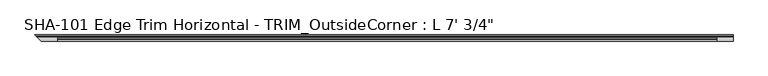
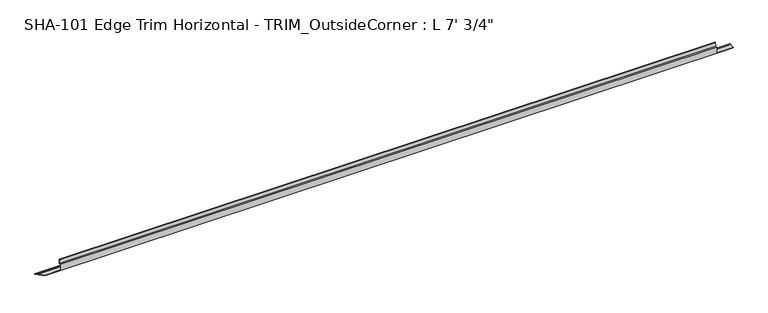
"""IFC4 building model written with IfcOpenShell, lengths in millimetres: proxy geometry."""

from ifc_helpers import new_model, si_unit, frame, origin, place, context, project, spatial, polyline, circle_curve, ellipse_curve, source, transform, mapped, element, save
from ifc_brep_helpers import plane_surface, cylinder_surface, revolved_surface, advanced_brep


def proxy_f23d6bd8(model_context):
    return source(origin(), model_context, "Body", "AdvancedBrep", [
        advanced_brep(
        [(2152.65, -7.0200081, 1.5748), (2152.65, -19.7327081, 1.5748), (2152.65, -19.7327081, 0.0), (2152.65, -0.79375, 0.0), (2152.65, -0.79375, 1.5748), (2152.65, -3.8704081, 1.5748), (2101.85, -19.7327081, 1.5748), (2101.85, -19.7327081, 19.0246), (70.5327081, -19.7327081, 19.0246), (70.5327081, -19.7327081, 1.5748), (19.7327081, -19.7327081, 1.5748), (19.7327081, -19.7327081, 0.0), (2101.85, -14.3400511, 19.0246), (70.5327081, -14.3400511, 19.0246), (2101.85, -12.5290774, 29.6006869), (70.5327081, -12.5290774, 29.6006869), (2101.85, -11.4003846, 30.0600848), (2101.85, -10.2077081, 29.5346031), (70.5327081, -10.2077081, 29.5346031), (70.5327081, -11.4003846, 30.0600848), (2101.85, -10.2077081, 17.4498), (70.5327081, -10.2077081, 17.4498), (2101.85, -16.8879081, 17.4498), (70.5327081, -16.8879081, 17.4498), (2101.85, -18.1579081, 16.1798), (70.5327081, -18.1579081, 16.1798), (2101.85, -18.1579081, 1.5748), (70.5327081, -18.1579081, 1.5748), (7.0200081, -7.0200081, 1.5748), (3.8704081, -3.8704081, 1.5748), (0.79375, -0.79375, 1.5748), (0.79375, -0.79375, 0.0)],
        [
            (0, 1),
            (1, 2),
            (2, 3),
            (3, 4),
            (4, 5),
            (5, 0, circle_curve(frame((2152.65, -5.4452081, 1.5748), z_axis=(1.0, 0.0, 0.0), x_axis=(0.0, -1.0, 0.0)), 1.5748)),
            (1, 6),
            (6, 7),
            (7, 8),
            (8, 9),
            (9, 10),
            (10, 11),
            (11, 2),
            (7, 12),
            (12, 13),
            (13, 8),
            (12, 14),
            (14, 15),
            (15, 13),
            (14, 16, circle_curve(frame((2101.85, -11.4003846, 28.4438454), z_axis=(-1.0, 0.0, 0.0), x_axis=(0.0, -1.0, 0.0)), 1.6162393)),
            (16, 17, circle_curve(frame((2101.85, -11.4003846, 28.4438454), z_axis=(-1.0, 0.0, 0.0), x_axis=(0.0, -1.0, 0.0)), 1.6162393)),
            (17, 18),
            (18, 19, circle_curve(frame((70.5327081, -11.4003846, 28.4438454), z_axis=(1.0, 0.0, 0.0), x_axis=(0.0, -1.0, 0.0)), 1.6162393)),
            (19, 15, circle_curve(frame((70.5327081, -11.4003846, 28.4438454), z_axis=(1.0, 0.0, 0.0), x_axis=(0.0, -1.0, 0.0)), 1.6162393)),
            (17, 20),
            (20, 21),
            (21, 18),
            (20, 22),
            (22, 23),
            (23, 21),
            (22, 24, circle_curve(frame((2101.85, -16.8879081, 16.1798), z_axis=(1.0, 0.0, 0.0), x_axis=(0.0, -1.0, 0.0)), 1.27)),
            (24, 25),
            (25, 23, circle_curve(frame((70.5327081, -16.8879081, 16.1798), z_axis=(-1.0, 0.0, 0.0), x_axis=(0.0, -1.0, 0.0)), 1.27)),
            (24, 26),
            (26, 27),
            (27, 25),
            (0, 28),
            (28, 10),
            (9, 27),
            (26, 6),
            (5, 29),
            (29, 28, ellipse_curve(frame((5.4452081, -5.4452081, 1.5748), z_axis=(0.7071067811865489, 0.7071067811865461, 0.0), x_axis=(0.7071067811865461, -0.7071067811865489, 0.0)), 2.2271035, 1.5748)),
            (4, 30),
            (30, 29),
            (3, 31),
            (31, 30),
            (11, 31),
        ],
        [
            plane_surface(frame((2152.65, -19.7327081, 19.0246), z_axis=(1.0, 0.0, 0.0), x_axis=(0.0, 0.0, 1.0))),
            plane_surface(frame((2152.65, -19.7327081, 0.0), z_axis=(0.0, -1.0, 0.0), x_axis=(-1.0, 0.0, 0.0))),
            plane_surface(frame((2152.65, -19.7327081, 19.0246), z_axis=(0.0, 0.0, 1.0), x_axis=(-1.0, 0.0, 0.0))),
            plane_surface(frame((2152.65, -14.3400511, 19.0246), z_axis=(0.0, -0.9856543593990696, 0.16877643140441637), x_axis=(-1.0, 0.0, 0.0))),
            cylinder_surface(frame((0.0, -11.4003846, 28.4438454), z_axis=(1.0, 0.0, 0.0), x_axis=(0.0, -1.0, 0.0)), 1.6162393),
            plane_surface(frame((2152.65, -10.2077081, 29.5346031), z_axis=(0.0, 1.0, 0.0), x_axis=(-1.0, 0.0, 0.0))),
            plane_surface(frame((2152.65, -10.2077081, 17.4498), z_axis=(0.0, 0.0, -1.0), x_axis=(-1.0, 0.0, 0.0))),
            revolved_surface(polyline([(70.5327081, -18.1579081, 16.1798), (2101.85, -18.1579081, 16.1798)]), (0.0, -16.8879081, 16.1798), (-1.0, 0.0, 0.0)),
            plane_surface(frame((2152.65, -18.1579081, 16.1798), z_axis=(0.0, 1.0, 0.0), x_axis=(-1.0, 0.0, 0.0))),
            plane_surface(frame((2152.65, -18.1579081, 1.5748), z_axis=(0.0, 0.0, 1.0), x_axis=(-1.0, 0.0, 0.0))),
            cylinder_surface(frame((0.0, -5.4452081, 1.5748), z_axis=(1.0, 0.0, 0.0), x_axis=(0.0, -1.0, 0.0)), 1.5748),
            plane_surface(frame((2152.65, -3.8704081, 1.5748), z_axis=(0.0, 0.0, 1.0), x_axis=(-1.0, 0.0, 0.0))),
            plane_surface(frame((2152.65, -0.79375, 1.5748), z_axis=(0.0, 1.0, 0.0), x_axis=(-1.0, 0.0, 0.0))),
            plane_surface(frame((2152.65, -0.79375, 0.0), z_axis=(0.0, 0.0, -1.0), x_axis=(-1.0, 0.0, 0.0))),
            plane_surface(frame((2101.85, -10.2077081, 30.0600848), z_axis=(1.0, 0.0, 0.0), x_axis=(0.0, -1.0, 0.0))),
            plane_surface(frame((70.5327081, -10.2077081, 1.5748), z_axis=(-1.0, 0.0, 0.0), x_axis=(0.0, -1.0, 0.0))),
            plane_surface(frame((0.0, 0.0, 66.04), z_axis=(-0.7071067811865489, -0.7071067811865461, 0.0), x_axis=(0.0, 0.0, -1.0))),
        ],
        [
            (0, [[1, 2, 3, 4, 5, 6]]),
            (1, [[7, 8, 9, 10, 11, 12, 13, -2]]),
            (2, [[14, 15, 16, -9]]),
            (3, [[17, 18, 19, -15]]),
            (4, [[20, 21, 22, 23, 24, -18]]),
            (5, [[25, 26, 27, -22]]),
            (6, [[28, 29, 30, -26]]),
            (7, [[31, 32, 33, -29]]),
            (8, [[34, 35, 36, -32]]),
            (9, [[-7, -1, 37, 38, -11, 39, -35, 40]]),
            (10, [[41, 42, -37, -6]]),
            (11, [[43, 44, -41, -5]]),
            (12, [[45, 46, -43, -4]]),
            (13, [[-13, 47, -45, -3]]),
            (14, [[-34, -31, -28, -25, -21, -20, -17, -14, -8, -40]]),
            (15, [[-10, -16, -19, -24, -23, -27, -30, -33, -36, -39]]),
            (16, [[-38, -42, -44, -46, -47, -12]]),
        ],
    ),
    ])


if __name__ == "__main__":
    model = new_model("IFC4")
    model_context = context("Model", 3, world=origin())
    ifc_project = project(units=[si_unit("LENGTHUNIT", "METRE", prefix="MILLI")], contexts=[model_context])
    site = spatial("IfcSite", under=ifc_project)
    building = spatial("IfcBuilding", under=site)
    placement = place(None, origin())
    proxy_shape = proxy_f23d6bd8(model_context)
    element("IfcBuildingElementProxy", 1, Name="SHA-101 Edge Trim Horizontal - TRIM_OutsideCorner : L 7' 3/4\"", ObjectType="SHA-101 Edge Trim Horizontal - TRIM_OutsideCorner : L 7' 3/4\"", at=placement, inside=building, context=model_context, shape_type="MappedRepresentation", body=[
        mapped(proxy_shape, transform((0.0, 0.0, 0.0), x_axis=(1.0, 0.0, 0.0), y_axis=(0.0, 1.0, 0.0), z_axis=(0.0, 0.0, 1.0))),
    ])
    save(model, "model.ifc")
